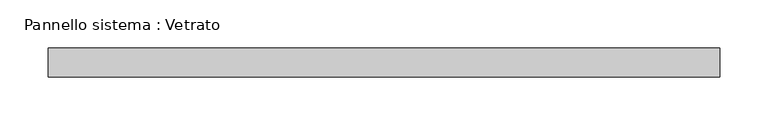
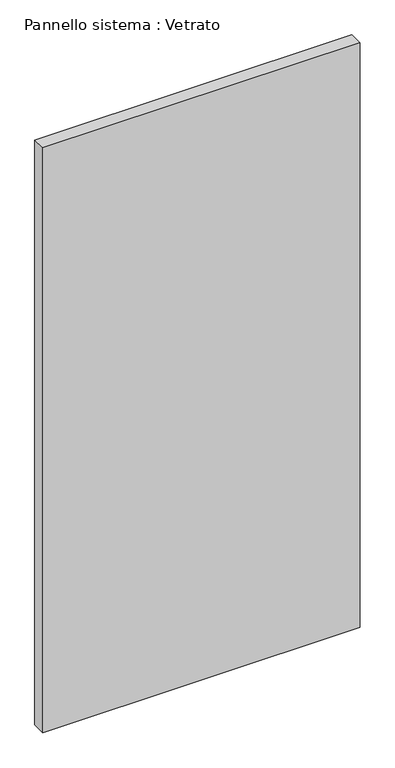
"""IFC4 building model written with IfcOpenShell, lengths in millimetres: plate geometry, Pannello sistema : Vetrato."""

import ifcopenshell
import ifcopenshell.guid

model = None  # the IFC model being written
_history = None  # IfcOwnerHistory: only IFC2X3 demands one
_inside = {}  # id of a spatial element -> (the spatial element, [elements in it])
_under = {}  # id of a project, library or spatial element -> (it, [spatial elements below it])
_declared = {}  # id of a project -> (the project, [libraries it declares])
_typed = {}  # id of a type object -> (the type object, [elements of that type])
_made_of = {}  # id of a material, layer set ... -> (it, [elements and type objects made of it])


def new_model(schema):
    """Start an empty IFC model of exactly this schema.

    Asked for "IFC4X3", IfcOpenShell would pick the latest addendum, in which some entities
    have other attributes; the version numbers below select the first issue.
    IFC2X3 requires an IfcOwnerHistory on every rooted entity: one is made here for all.
    """
    global model, _history
    if schema == "IFC4X3":
        model = ifcopenshell.file(schema_version=(4, 3, 0, 0))
    else:
        model = ifcopenshell.file(schema=schema)
    _inside.clear()
    _under.clear()
    _declared.clear()
    _typed.clear()
    _made_of.clear()
    _history = None
    if model.schema == "IFC2X3":
        org = make("IfcOrganization", Name="unknown")
        user = make(
            "IfcPersonAndOrganization",
            ThePerson=make("IfcPerson", FamilyName="unknown"),
            TheOrganization=org,
        )
        app = make(
            "IfcApplication",
            ApplicationDeveloper=org,
            Version="unknown",
            ApplicationFullName="unknown",
            ApplicationIdentifier="unknown",
        )
        _history = make(
            "IfcOwnerHistory",
            OwningUser=user,
            OwningApplication=app,
            ChangeAction="ADDED",
            CreationDate=0,
        )
    return model


def make(cls, **values):
    """One entity of the class cls with the attributes given. An attribute that is None is left unset."""
    return model.create_entity(
        cls, **{name: value for name, value in values.items() if value is not None}
    )


def rooted(cls, **values):
    """An entity with a GlobalId (a new one), such as an element, a storey or a relation."""
    return make(cls, GlobalId=ifcopenshell.guid.new(), OwnerHistory=_history, **values)


def si_unit(unit_type, name, prefix=None):
    """IfcSIUnit, for example si_unit("LENGTHUNIT", "METRE", prefix="MILLI")."""
    return make("IfcSIUnit", UnitType=unit_type, Prefix=prefix, Name=name)


def assignment(units):
    """IfcUnitAssignment: the units of a project."""
    return None if units is None else make("IfcUnitAssignment", Units=units)


def point(xyz):
    """IfcCartesianPoint."""
    return None if xyz is None else make("IfcCartesianPoint", Coordinates=xyz)


def direction(xyz):
    """IfcDirection."""
    return None if xyz is None else make("IfcDirection", DirectionRatios=xyz)


def frame(location, z_axis=None, x_axis=None):
    """IfcAxis2Placement3D, a coordinate frame: its origin and axes. An axis left out is left unset."""
    return make(
        "IfcAxis2Placement3D",
        Location=point(location),
        Axis=direction(z_axis),
        RefDirection=direction(x_axis),
    )


def origin():
    """The frame at (0, 0, 0) with its axes left unset."""
    return frame((0.0, 0.0, 0.0))


def origin_with_axes():
    """The frame at (0, 0, 0) with the z axis (0, 0, 1) and the x axis (1, 0, 0) written out."""
    return frame((0.0, 0.0, 0.0), z_axis=(0.0, 0.0, 1.0), x_axis=(1.0, 0.0, 0.0))


def place(relative_to, where):
    """IfcLocalPlacement: puts the frame where relative to a parent placement (None: the world)."""
    return make(
        "IfcLocalPlacement", PlacementRelTo=relative_to, RelativePlacement=where
    )


def context(
    kind, dimensions, precision=None, world=None, true_north=None, identifier=None
):
    """IfcGeometricRepresentationContext, for example the 3D "Model" context."""
    return make(
        "IfcGeometricRepresentationContext",
        ContextIdentifier=identifier,
        ContextType=kind,
        CoordinateSpaceDimension=dimensions,
        Precision=precision,
        WorldCoordinateSystem=world,
        TrueNorth=true_north,
    )


def project(units=None, contexts=None):
    """IfcProject with its units and contexts."""
    return rooted(
        "IfcProject",
        Name="project",
        RepresentationContexts=contexts,
        UnitsInContext=assignment(units),
    )


def spatial(cls, under=None, at=None, **own):
    """A site, building, storey or space (cls), placed at a placement, below another one or the project."""
    s = rooted(cls, ObjectPlacement=at, **own)
    if under is not None:
        _under.setdefault(under.id(), (under, []))[1].append(s)
    return s


def polyline(points):
    """IfcPolyline through the points."""
    return make("IfcPolyline", Points=[point(p) for p in points])


def outline(outer, holes=None, kind="AREA"):
    """IfcArbitraryClosedProfileDef: a profile drawn as a closed curve; with holes, ...WithVoids."""
    if holes is None:
        return make("IfcArbitraryClosedProfileDef", ProfileType=kind, OuterCurve=outer)
    return make(
        "IfcArbitraryProfileDefWithVoids",
        ProfileType=kind,
        OuterCurve=outer,
        InnerCurves=holes,
    )


def extrude(swept, where, along, depth):
    """IfcExtrudedAreaSolid: the profile swept, set in the frame where, extruded along a direction by depth."""
    return make(
        "IfcExtrudedAreaSolid",
        SweptArea=swept,
        Position=where,
        ExtrudedDirection=direction(along),
        Depth=depth,
    )


def shape(context_of_items, identifier, shape_type, items):
    """IfcShapeRepresentation: the items that make up one representation, for example the "Body"."""
    return make(
        "IfcShapeRepresentation",
        ContextOfItems=context_of_items,
        RepresentationIdentifier=identifier,
        RepresentationType=shape_type,
        Items=items,
    )


def source(mapping_origin, context_of_items, identifier, shape_type, items):
    """IfcRepresentationMap: a shape defined once, which mapped items show again and again."""
    return make(
        "IfcRepresentationMap",
        MappingOrigin=mapping_origin,
        MappedRepresentation=shape(context_of_items, identifier, shape_type, items),
    )


def transform(
    local_origin,
    x_axis=None,
    y_axis=None,
    z_axis=None,
    scale=None,
    scale2=None,
    scale3=None,
    uniform=True,
):
    """IfcCartesianTransformationOperator3D, or its non-uniform kind. x_axis, y_axis, z_axis: its Axis1, 2, 3."""
    if uniform:
        return make(
            "IfcCartesianTransformationOperator3D",
            Axis1=direction(x_axis),
            Axis2=direction(y_axis),
            LocalOrigin=point(local_origin),
            Scale=scale,
            Axis3=direction(z_axis),
        )
    return make(
        "IfcCartesianTransformationOperator3DnonUniform",
        Axis1=direction(x_axis),
        Axis2=direction(y_axis),
        LocalOrigin=point(local_origin),
        Scale=scale,
        Axis3=direction(z_axis),
        Scale2=scale2,
        Scale3=scale3,
    )


def mapped(mapping_source, mapping_target):
    """IfcMappedItem: shows the shape of a source again, moved by a transform."""
    return make(
        "IfcMappedItem", MappingSource=mapping_source, MappingTarget=mapping_target
    )


def made_of(thing, what):
    """Note that an element or type object is made of a material, layer set ...; save() writes the relation."""
    if what is not None:
        _made_of.setdefault(what.id(), (what, []))[1].append(thing)
    return thing


def element(
    cls,
    number,
    at=None,
    inside=None,
    cuts=None,
    type_object=None,
    material=None,
    context=None,
    identifier="Body",
    shape_type=None,
    held_by="IfcProductDefinitionShape",
    body=None,
    shapes=None,
    **own,
):
    """One element of the class cls, such as IfcWall. Its Tag is "e" and its number.

    at: its placement. inside: the storey or other place that contains it. cuts: it is an
    opening in that element (IfcRelVoidsElement). A single representation is given by context,
    identifier, shape_type and body (its items); several are given by shapes. held_by: the class
    of the entity that holds the representations. save() writes the other relations.
    """
    e = rooted(cls, Tag="e%d" % number, ObjectPlacement=at, **own)
    if body is not None:
        shapes = [shape(context, identifier, shape_type, body)]
    if shapes is not None:
        e.Representation = make(held_by, Representations=shapes)
    if inside is not None:
        _inside.setdefault(inside.id(), (inside, []))[1].append(e)
    if cuts is not None:
        rooted(
            "IfcRelVoidsElement", RelatingBuildingElement=cuts, RelatedOpeningElement=e
        )
    if type_object is not None:
        _typed.setdefault(type_object.id(), (type_object, []))[1].append(e)
    return made_of(e, material)


def aggregate(whole, parts):
    """IfcRelAggregates: a whole, such as a stair, and the parts it consists of."""
    return rooted("IfcRelAggregates", RelatingObject=whole, RelatedObjects=parts)


def save(model, path):
    """Write the relations noted so far, then the file.

    IfcRelAggregates (storeys below a building ...), IfcRelContainedInSpatialStructure (elements
    in a storey), IfcRelDefinesByType, IfcRelAssociatesMaterial and IfcRelDeclares: one each for
    every whole, place, type object, material and project.
    """
    for whole, parts in _under.values():
        aggregate(whole, parts)
    for where, things in _inside.values():
        rooted(
            "IfcRelContainedInSpatialStructure",
            RelatedElements=things,
            RelatingStructure=where,
        )
    for kind, things in _typed.values():
        rooted("IfcRelDefinesByType", RelatedObjects=things, RelatingType=kind)
    for what, things in _made_of.values():
        rooted("IfcRelAssociatesMaterial", RelatedObjects=things, RelatingMaterial=what)
    for by, libraries in _declared.values():
        rooted("IfcRelDeclares", RelatingContext=by, RelatedDefinitions=libraries)
    model.write(path)


def pannello_sistema_vetrato_76d69ba3(model_context):
    return source(origin(), model_context, "Body", "SweptSolid", [
        extrude(outline(polyline([(346.468952, -15.0), (-346.468952, -15.0), (-346.468952, 15.0), (346.468952, 15.0), (346.468952, -15.0)])), origin_with_axes(), (0.0, 0.0, 1.0), 1350.0),
    ])


if __name__ == "__main__":
    model = new_model("IFC4")
    model_context = context("Model", 3, world=origin())
    ifc_project = project(units=[si_unit("LENGTHUNIT", "METRE", prefix="MILLI")], contexts=[model_context])
    site = spatial("IfcSite", under=ifc_project)
    building = spatial("IfcBuilding", under=site)
    placement = place(None, origin())
    pannello_sistema_vetrato_shape = pannello_sistema_vetrato_76d69ba3(model_context)
    element("IfcPlate", 1, ObjectType="Pannello sistema : Vetrato", at=placement, inside=building, context=model_context, shape_type="MappedRepresentation", body=[
        mapped(pannello_sistema_vetrato_shape, transform((0.0, 0.0, 0.0), x_axis=(1.0, 0.0, 0.0), y_axis=(0.0, 1.0, 0.0), z_axis=(0.0, 0.0, 1.0))),
    ])
    save(model, "model.ifc")
